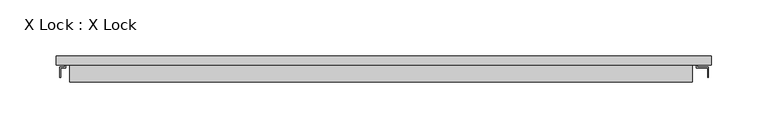
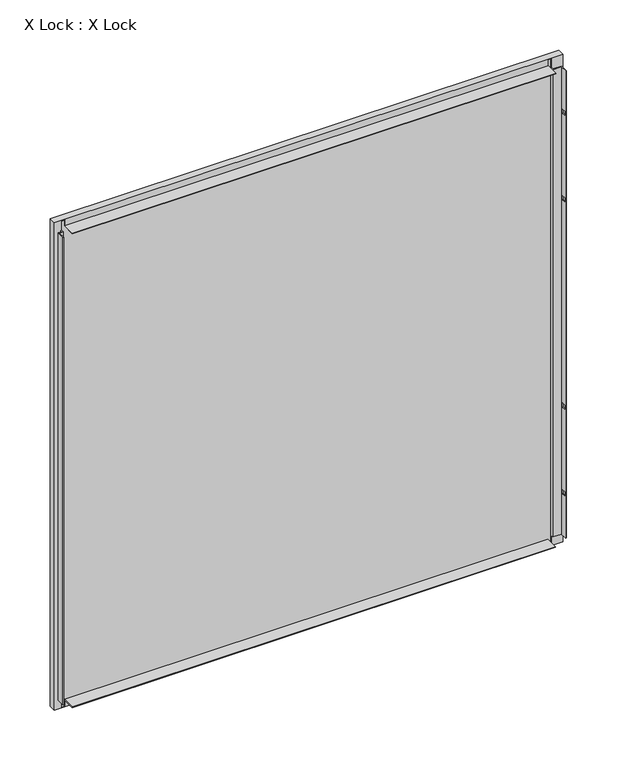
"""IFC4 building model written with IfcOpenShell, lengths in millimetres: plate geometry, X Lock : X Lock."""

from ifc_helpers import new_model, si_unit, frame, origin, place, context, project, spatial, polyline, outline, extrude, faceted_brep, source, transform, mapped, element, save


def x_lock_x_lock_fb15b2fc(model_context):
    return source(origin(), model_context, "Body", "SolidModel", [
        extrude(outline(polyline([(284.0000002, 7.2), (-279.0000002, 7.2), (-279.0000002, 8.0), (284.0000002, 8.0), (284.0000002, 7.2)])), frame((0.0, 0.0, 3.0), z_axis=(0.0, 0.0, 1.0), x_axis=(1.0, 0.0, 0.0)), (0.0, 0.0, 1.0), 570.0),
        faceted_brep([(294.0000002, 8.0, 583.0), (-289.0000002, 8.0, 583.0), (-289.0000002, 0.0, 583.0), (294.0000002, 0.0, 583.0), (-289.0000002, 8.0, -7.0), (-289.0000002, 0.0, -7.0), (294.0000002, 8.0, -7.0), (294.0000002, 0.0, -7.0), (293.2000002, 7.2, 582.2), (293.2000002, 7.2, -6.2), (293.2000002, 0.8, -6.2), (293.2000002, 0.8, 582.2), (-288.2000002, 7.2, -6.2), (-288.2000002, 0.8, -6.2), (-280.7000002, 0.8, -6.2), (-280.7000002, 0.0, -6.2), (-277.0000002, 0.0, -6.2), (-277.0000002, 0.8, -6.2), (277.0000002, 0.8, -6.2), (277.0000002, 0.0, -6.2), (280.7000002, 0.0, -6.2), (280.7000002, 0.8, -6.2), (-288.2000002, 7.2, 582.2), (-288.2000002, 0.8, 582.2), (280.7000002, 0.8, 582.2), (280.7000002, 0.0, 582.2), (277.0000002, 0.0, 582.2), (277.0000002, 0.8, 582.2), (-277.0000002, 0.8, 582.2), (-277.0000002, 0.0, 582.2), (-280.7000002, 0.0, 582.2), (-280.7000002, 0.8, 582.2), (-279.0000002, 7.2, 573.0), (284.0000002, 7.2, 573.0), (284.0000002, 7.2, 3.0), (-279.0000002, 7.2, 3.0), (-279.0000002, 8.0, 573.0), (-279.0000002, 8.0, 3.0), (284.0000002, 8.0, 3.0), (284.0000002, 8.0, 573.0), (280.7000002, -2.7949633, 571.0), (290.7000002, -2.7949633, 571.0), (290.7000002, -11.0, 571.0), (291.5000002, -11.0, 571.0), (291.5000002, -2.0, 571.0), (281.5000002, -2.0, 571.0), (281.5000002, 0.0, 571.0), (280.7000002, 0.0, 571.0), (281.5000002, 0.0, 5.0), (281.5000002, -2.0, 5.0), (291.5000002, -2.0, 5.0), (291.5000002, -11.0, 5.0), (290.7000002, -11.0, 5.0), (290.7000002, -2.7949633, 5.0), (280.7000002, -2.7949633, 5.0), (280.7000002, 0.0, 5.0), (290.7000002, -5.0, 416.0), (290.7000002, -9.0, 416.0), (290.7000002, -9.0, 411.0), (290.7000002, -5.0, 411.0), (290.7000002, -5.0, 60.0), (290.7000002, -9.0, 60.0), (290.7000002, -9.0, 55.0), (290.7000002, -5.0, 55.0), (290.7000002, -5.0, 521.0), (290.7000002, -9.0, 521.0), (290.7000002, -9.0, 516.0), (290.7000002, -5.0, 516.0), (290.7000002, -5.0, 165.0), (290.7000002, -9.0, 165.0), (290.7000002, -9.0, 160.0), (290.7000002, -5.0, 160.0), (291.5000002, -9.0, 416.0), (291.5000002, -5.0, 416.0), (291.5000002, -5.0, 411.0), (291.5000002, -9.0, 411.0), (291.5000002, -9.0, 60.0), (291.5000002, -5.0, 60.0), (291.5000002, -5.0, 55.0), (291.5000002, -9.0, 55.0), (291.5000002, -9.0, 521.0), (291.5000002, -5.0, 521.0), (291.5000002, -5.0, 516.0), (291.5000002, -9.0, 516.0), (291.5000002, -9.0, 165.0), (291.5000002, -5.0, 165.0), (291.5000002, -5.0, 160.0), (291.5000002, -9.0, 160.0), (-281.5000002, 0.0, 571.0), (-281.5000002, -2.0, 571.0), (-285.7000002, -2.0, 571.0), (-285.7000002, -11.0, 571.0), (-284.9000002, -11.0, 571.0), (-284.9000002, -2.7949633, 571.0), (-280.7000002, -2.7949633, 571.0), (-280.7000002, 0.0, 571.0), (-280.7000002, -2.7949633, 5.0), (-284.9000002, -2.7949633, 5.0), (-284.9000002, -11.0, 5.0), (-285.7000002, -11.0, 5.0), (-285.7000002, -2.0, 5.0), (-281.5000002, -2.0, 5.0), (-281.5000002, 0.0, 5.0), (-280.7000002, 0.0, 5.0), (-277.0000002, 0.8, 574.7), (-277.0000002, -15.0, 574.7), (-277.0000002, -15.0, 575.5), (-277.0000002, 0.0, 575.5), (277.0000002, 0.0, 575.5), (277.0000002, -15.0, 575.5), (277.0000002, -15.0, 574.7), (277.0000002, 0.8, 574.7), (-277.0000002, 0.0, 0.5), (-277.0000002, -14.2, 0.5), (-277.0000002, -14.2, 1.3), (-277.0000002, 0.8, 1.3), (277.0000002, 0.8, 1.3), (277.0000002, -14.2, 1.3), (277.0000002, -14.2, 0.5), (277.0000002, 0.0, 0.5)], [[[0, 1, 2, 3]], [[1, 4, 5, 2]], [[4, 6, 7, 5]], [[8, 9, 10, 11]], [[9, 12, 13, 14, 15, 16, 17, 18, 19, 20, 21, 10]], [[12, 22, 23, 13]], [[22, 8, 11, 24, 25, 26, 27, 28, 29, 30, 31, 23]], [[9, 8, 22, 12], [32, 33, 34, 35]], [[1, 0, 6, 4], [36, 37, 38, 39]], [[33, 32, 36, 39]], [[34, 33, 39, 38]], [[35, 34, 38, 37]], [[32, 35, 37, 36]], [[40, 41, 42, 43, 44, 45, 46, 47]], [[48, 49, 50, 51, 52, 53, 54, 55]], [[14, 13, 23, 31]], [[10, 21, 24, 11]], [[54, 40, 47, 25, 24, 21, 20, 55]], [[41, 40, 54, 53]], [[42, 41, 53, 52], [56, 57, 58, 59], [60, 61, 62, 63], [64, 65, 66, 67], [68, 69, 70, 71]], [[43, 42, 52, 51]], [[44, 43, 51, 50], [72, 73, 74, 75], [76, 77, 78, 79], [80, 81, 82, 83], [84, 85, 86, 87]], [[45, 44, 50, 49]], [[46, 45, 49, 48]], [[88, 89, 90, 91, 92, 93, 94, 95]], [[96, 97, 98, 99, 100, 101, 102, 103]], [[94, 96, 103, 15, 14, 31, 30, 95]], [[94, 93, 97, 96]], [[93, 92, 98, 97]], [[92, 91, 99, 98]], [[91, 90, 100, 99]], [[90, 89, 101, 100]], [[89, 88, 102, 101]], [[104, 105, 106, 107, 29, 28]], [[108, 109, 110, 111, 27, 26]], [[111, 104, 28, 27]], [[105, 104, 111, 110]], [[107, 106, 109, 108]], [[112, 113, 114, 115, 17, 16]], [[116, 117, 118, 119, 19, 18]], [[113, 112, 119, 118]], [[115, 114, 117, 116]], [[115, 116, 18, 17]], [[3, 7, 6, 0]], [[7, 3, 2, 5], [46, 48, 55, 20, 19, 119, 112, 16, 15, 103, 102, 88, 95, 30, 29, 107, 108, 26, 25, 47]], [[56, 73, 72, 57]], [[57, 72, 75, 58]], [[58, 75, 74, 59]], [[73, 56, 59, 74]], [[76, 61, 60, 77]], [[61, 76, 79, 62]], [[62, 79, 78, 63]], [[77, 60, 63, 78]], [[106, 105, 110, 109]], [[114, 113, 118, 117]], [[64, 81, 80, 65]], [[65, 80, 83, 66]], [[66, 83, 82, 67]], [[81, 64, 67, 82]], [[68, 85, 84, 69]], [[69, 84, 87, 70]], [[70, 87, 86, 71]], [[85, 68, 71, 86]]]),
        extrude(outline(polyline([(293.2000002, 5.5297993), (-288.2000002, 5.5297993), (-288.2000002, 7.2), (293.2000002, 7.2), (293.2000002, 5.5297993)])), frame((0.0, 0.0, -6.2), z_axis=(0.0, 0.0, 1.0), x_axis=(1.0, 0.0, 0.0)), (0.0, 0.0, 1.0), 588.4),
    ])


if __name__ == "__main__":
    model = new_model("IFC4")
    model_context = context("Model", 3, world=origin())
    ifc_project = project(units=[si_unit("LENGTHUNIT", "METRE", prefix="MILLI")], contexts=[model_context])
    site = spatial("IfcSite", under=ifc_project)
    building = spatial("IfcBuilding", under=site)
    placement = place(None, origin())
    x_lock_x_lock_shape = x_lock_x_lock_fb15b2fc(model_context)
    element("IfcPlate", 1, ObjectType="X Lock : X Lock", at=placement, inside=building, context=model_context, shape_type="MappedRepresentation", body=[
        mapped(x_lock_x_lock_shape, transform((0.0, 0.0, 0.0), x_axis=(1.0, 0.0, 0.0), y_axis=(0.0, 1.0, 0.0), z_axis=(0.0, 0.0, 1.0))),
    ])
    save(model, "model.ifc")
